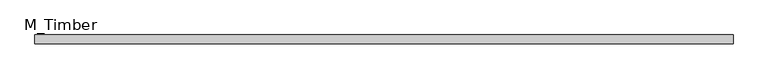
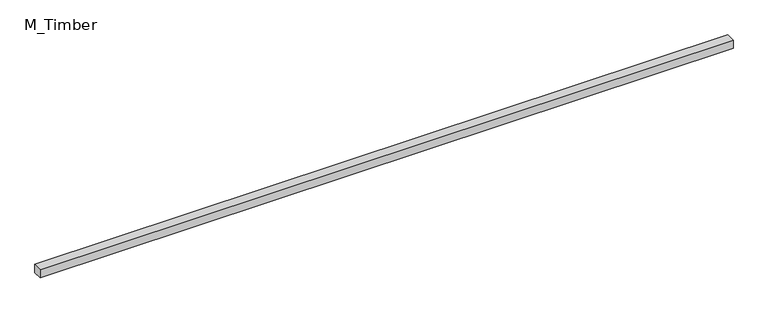
"""IFC4 building model written with IfcOpenShell, lengths in millimetres: beam geometry, M_Timber."""

import ifcopenshell
import ifcopenshell.guid

model = None  # the IFC model being written
_history = None  # IfcOwnerHistory: only IFC2X3 demands one
_inside = {}  # id of a spatial element -> (the spatial element, [elements in it])
_under = {}  # id of a project, library or spatial element -> (it, [spatial elements below it])
_declared = {}  # id of a project -> (the project, [libraries it declares])
_typed = {}  # id of a type object -> (the type object, [elements of that type])
_made_of = {}  # id of a material, layer set ... -> (it, [elements and type objects made of it])


def new_model(schema):
    """Start an empty IFC model of exactly this schema.

    Asked for "IFC4X3", IfcOpenShell would pick the latest addendum, in which some entities
    have other attributes; the version numbers below select the first issue.
    IFC2X3 requires an IfcOwnerHistory on every rooted entity: one is made here for all.
    """
    global model, _history
    if schema == "IFC4X3":
        model = ifcopenshell.file(schema_version=(4, 3, 0, 0))
    else:
        model = ifcopenshell.file(schema=schema)
    _inside.clear()
    _under.clear()
    _declared.clear()
    _typed.clear()
    _made_of.clear()
    _history = None
    if model.schema == "IFC2X3":
        org = make("IfcOrganization", Name="unknown")
        user = make(
            "IfcPersonAndOrganization",
            ThePerson=make("IfcPerson", FamilyName="unknown"),
            TheOrganization=org,
        )
        app = make(
            "IfcApplication",
            ApplicationDeveloper=org,
            Version="unknown",
            ApplicationFullName="unknown",
            ApplicationIdentifier="unknown",
        )
        _history = make(
            "IfcOwnerHistory",
            OwningUser=user,
            OwningApplication=app,
            ChangeAction="ADDED",
            CreationDate=0,
        )
    return model


def make(cls, **values):
    """One entity of the class cls with the attributes given. An attribute that is None is left unset."""
    return model.create_entity(
        cls, **{name: value for name, value in values.items() if value is not None}
    )


def rooted(cls, **values):
    """An entity with a GlobalId (a new one), such as an element, a storey or a relation."""
    return make(cls, GlobalId=ifcopenshell.guid.new(), OwnerHistory=_history, **values)


def si_unit(unit_type, name, prefix=None):
    """IfcSIUnit, for example si_unit("LENGTHUNIT", "METRE", prefix="MILLI")."""
    return make("IfcSIUnit", UnitType=unit_type, Prefix=prefix, Name=name)


def assignment(units):
    """IfcUnitAssignment: the units of a project."""
    return None if units is None else make("IfcUnitAssignment", Units=units)


def point(xyz):
    """IfcCartesianPoint."""
    return None if xyz is None else make("IfcCartesianPoint", Coordinates=xyz)


def direction(xyz):
    """IfcDirection."""
    return None if xyz is None else make("IfcDirection", DirectionRatios=xyz)


def frame(location, z_axis=None, x_axis=None):
    """IfcAxis2Placement3D, a coordinate frame: its origin and axes. An axis left out is left unset."""
    return make(
        "IfcAxis2Placement3D",
        Location=point(location),
        Axis=direction(z_axis),
        RefDirection=direction(x_axis),
    )


def origin():
    """The frame at (0, 0, 0) with its axes left unset."""
    return frame((0.0, 0.0, 0.0))


def place(relative_to, where):
    """IfcLocalPlacement: puts the frame where relative to a parent placement (None: the world)."""
    return make(
        "IfcLocalPlacement", PlacementRelTo=relative_to, RelativePlacement=where
    )


def context(
    kind, dimensions, precision=None, world=None, true_north=None, identifier=None
):
    """IfcGeometricRepresentationContext, for example the 3D "Model" context."""
    return make(
        "IfcGeometricRepresentationContext",
        ContextIdentifier=identifier,
        ContextType=kind,
        CoordinateSpaceDimension=dimensions,
        Precision=precision,
        WorldCoordinateSystem=world,
        TrueNorth=true_north,
    )


def project(units=None, contexts=None):
    """IfcProject with its units and contexts."""
    return rooted(
        "IfcProject",
        Name="project",
        RepresentationContexts=contexts,
        UnitsInContext=assignment(units),
    )


def spatial(cls, under=None, at=None, **own):
    """A site, building, storey or space (cls), placed at a placement, below another one or the project."""
    s = rooted(cls, ObjectPlacement=at, **own)
    if under is not None:
        _under.setdefault(under.id(), (under, []))[1].append(s)
    return s


def polyline(points):
    """IfcPolyline through the points."""
    return make("IfcPolyline", Points=[point(p) for p in points])


def outline(outer, holes=None, kind="AREA"):
    """IfcArbitraryClosedProfileDef: a profile drawn as a closed curve; with holes, ...WithVoids."""
    if holes is None:
        return make("IfcArbitraryClosedProfileDef", ProfileType=kind, OuterCurve=outer)
    return make(
        "IfcArbitraryProfileDefWithVoids",
        ProfileType=kind,
        OuterCurve=outer,
        InnerCurves=holes,
    )


def extrude(swept, where, along, depth):
    """IfcExtrudedAreaSolid: the profile swept, set in the frame where, extruded along a direction by depth."""
    return make(
        "IfcExtrudedAreaSolid",
        SweptArea=swept,
        Position=where,
        ExtrudedDirection=direction(along),
        Depth=depth,
    )


def shape(context_of_items, identifier, shape_type, items):
    """IfcShapeRepresentation: the items that make up one representation, for example the "Body"."""
    return make(
        "IfcShapeRepresentation",
        ContextOfItems=context_of_items,
        RepresentationIdentifier=identifier,
        RepresentationType=shape_type,
        Items=items,
    )


def source(mapping_origin, context_of_items, identifier, shape_type, items):
    """IfcRepresentationMap: a shape defined once, which mapped items show again and again."""
    return make(
        "IfcRepresentationMap",
        MappingOrigin=mapping_origin,
        MappedRepresentation=shape(context_of_items, identifier, shape_type, items),
    )


def transform(
    local_origin,
    x_axis=None,
    y_axis=None,
    z_axis=None,
    scale=None,
    scale2=None,
    scale3=None,
    uniform=True,
):
    """IfcCartesianTransformationOperator3D, or its non-uniform kind. x_axis, y_axis, z_axis: its Axis1, 2, 3."""
    if uniform:
        return make(
            "IfcCartesianTransformationOperator3D",
            Axis1=direction(x_axis),
            Axis2=direction(y_axis),
            LocalOrigin=point(local_origin),
            Scale=scale,
            Axis3=direction(z_axis),
        )
    return make(
        "IfcCartesianTransformationOperator3DnonUniform",
        Axis1=direction(x_axis),
        Axis2=direction(y_axis),
        LocalOrigin=point(local_origin),
        Scale=scale,
        Axis3=direction(z_axis),
        Scale2=scale2,
        Scale3=scale3,
    )


def mapped(mapping_source, mapping_target):
    """IfcMappedItem: shows the shape of a source again, moved by a transform."""
    return make(
        "IfcMappedItem", MappingSource=mapping_source, MappingTarget=mapping_target
    )


def made_of(thing, what):
    """Note that an element or type object is made of a material, layer set ...; save() writes the relation."""
    if what is not None:
        _made_of.setdefault(what.id(), (what, []))[1].append(thing)
    return thing


def element(
    cls,
    number,
    at=None,
    inside=None,
    cuts=None,
    type_object=None,
    material=None,
    context=None,
    identifier="Body",
    shape_type=None,
    held_by="IfcProductDefinitionShape",
    body=None,
    shapes=None,
    **own,
):
    """One element of the class cls, such as IfcWall. Its Tag is "e" and its number.

    at: its placement. inside: the storey or other place that contains it. cuts: it is an
    opening in that element (IfcRelVoidsElement). A single representation is given by context,
    identifier, shape_type and body (its items); several are given by shapes. held_by: the class
    of the entity that holds the representations. save() writes the other relations.
    """
    e = rooted(cls, Tag="e%d" % number, ObjectPlacement=at, **own)
    if body is not None:
        shapes = [shape(context, identifier, shape_type, body)]
    if shapes is not None:
        e.Representation = make(held_by, Representations=shapes)
    if inside is not None:
        _inside.setdefault(inside.id(), (inside, []))[1].append(e)
    if cuts is not None:
        rooted(
            "IfcRelVoidsElement", RelatingBuildingElement=cuts, RelatedOpeningElement=e
        )
    if type_object is not None:
        _typed.setdefault(type_object.id(), (type_object, []))[1].append(e)
    return made_of(e, material)


def aggregate(whole, parts):
    """IfcRelAggregates: a whole, such as a stair, and the parts it consists of."""
    return rooted("IfcRelAggregates", RelatingObject=whole, RelatedObjects=parts)


def save(model, path):
    """Write the relations noted so far, then the file.

    IfcRelAggregates (storeys below a building ...), IfcRelContainedInSpatialStructure (elements
    in a storey), IfcRelDefinesByType, IfcRelAssociatesMaterial and IfcRelDeclares: one each for
    every whole, place, type object, material and project.
    """
    for whole, parts in _under.values():
        aggregate(whole, parts)
    for where, things in _inside.values():
        rooted(
            "IfcRelContainedInSpatialStructure",
            RelatedElements=things,
            RelatingStructure=where,
        )
    for kind, things in _typed.values():
        rooted("IfcRelDefinesByType", RelatedObjects=things, RelatingType=kind)
    for what, things in _made_of.values():
        rooted("IfcRelAssociatesMaterial", RelatedObjects=things, RelatingMaterial=what)
    for by, libraries in _declared.values():
        rooted("IfcRelDeclares", RelatingContext=by, RelatedDefinitions=libraries)
    model.write(path)


def m_timber_23a4b2ab(model_context):
    return source(origin(), model_context, "Body", "SweptSolid", [
        extrude(outline(polyline([(1556.2737798, 20.0), (1556.2737798, -20.0), (-1556.2737798, -20.0), (-1556.2737798, 20.0), (1556.2737798, 20.0)])), frame((0.0, 0.0, -20.0), z_axis=(0.0, 0.0, 1.0), x_axis=(1.0, 0.0, 0.0)), (0.0, 0.0, 1.0), 40.0),
    ])


if __name__ == "__main__":
    model = new_model("IFC4")
    model_context = context("Model", 3, world=origin())
    ifc_project = project(units=[si_unit("LENGTHUNIT", "METRE", prefix="MILLI")], contexts=[model_context])
    site = spatial("IfcSite", under=ifc_project)
    building = spatial("IfcBuilding", under=site)
    placement = place(None, origin())
    m_timber_shape = m_timber_23a4b2ab(model_context)
    element("IfcBeam", 1, ObjectType="M_Timber", at=placement, inside=building, context=model_context, shape_type="MappedRepresentation", body=[
        mapped(m_timber_shape, transform((0.0, 0.0, 0.0), x_axis=(1.0, 0.0, 0.0), y_axis=(0.0, 1.0, 0.0), z_axis=(0.0, 0.0, 1.0))),
    ])
    save(model, "model.ifc")
